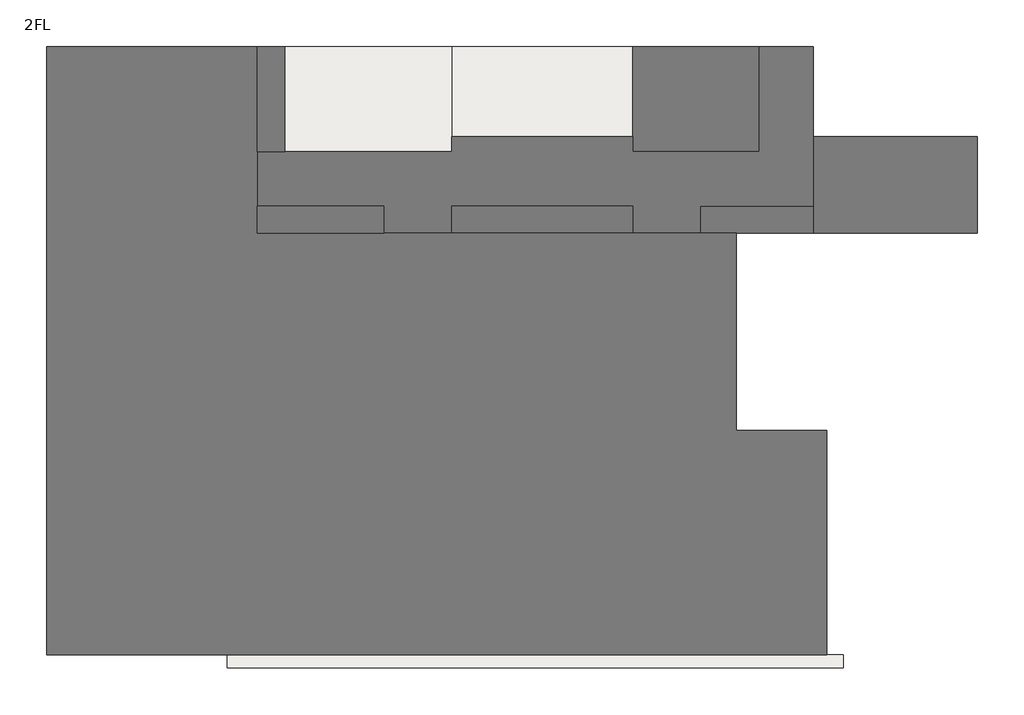
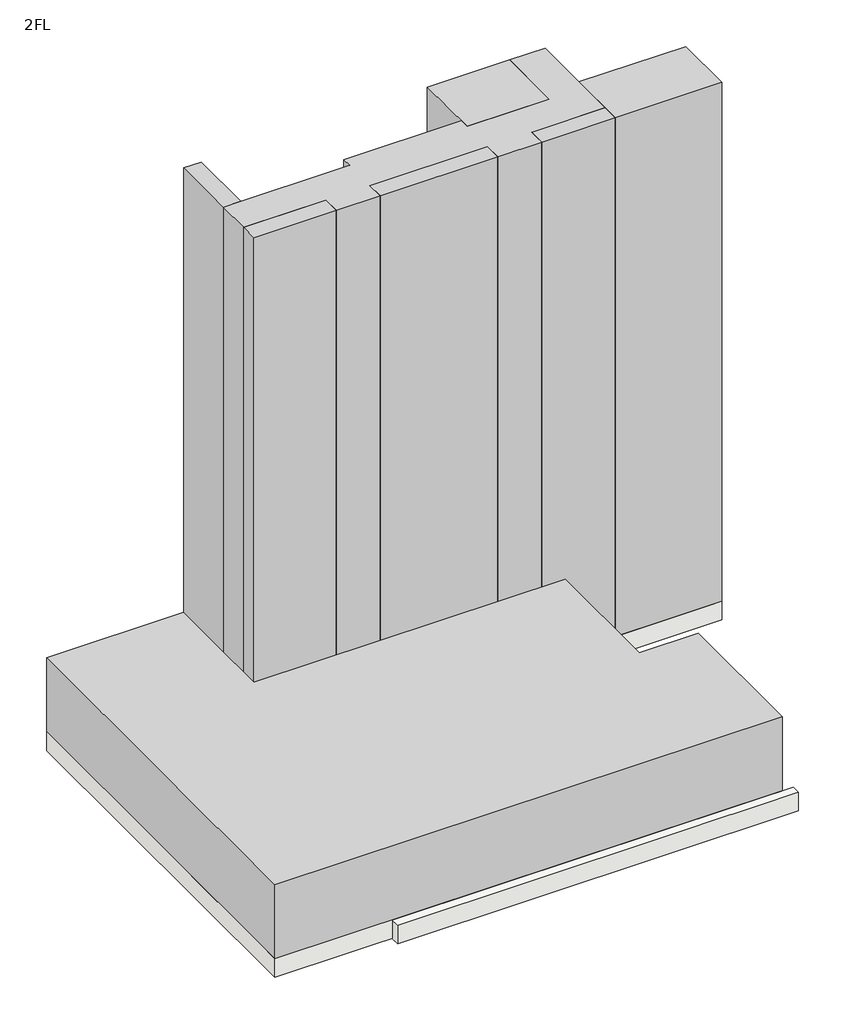
# One storey: 11 slabs, 8 proxies.
"""IFC4 building model written with IfcOpenShell, lengths in millimetres."""

from ifc_helpers import new_model, si_unit, frame, origin, place, context, project, spatial, polyline, outline, extrude, element, save

model = new_model("IFC4")

# Units and contexts
model_context = context("Model", 3, world=origin())
ifc_project = project(units=[si_unit("LENGTHUNIT", "METRE", prefix="MILLI")], contexts=[model_context])

# Site, building, storey
site = spatial("IfcSite", under=ifc_project)
building = spatial("IfcBuilding", under=site)
storey = spatial("IfcBuildingStorey", under=building, Name="2FL", Elevation=4600.0)

# Proxies
placement = place(None, origin())
element("IfcBuildingElementProxy", 1, Name="Mass", at=placement, inside=storey, context=model_context, shape_type="SweptSolid", body=[
    extrude(outline(polyline([(-5195.9784025, 16649.6868987), (-5195.9784025, 13149.6868987), (-9395.9784025, 13149.6868987), (-9395.9784025, 16649.6868987), (-5195.9784025, 16649.6868987)])), frame((0.0, 0.0, 4600.0), z_axis=(0.0, 0.0, 1.0), x_axis=(1.0, 0.0, 0.0)), (0.0, 0.0, 1.0), 28000.0),
])
element("IfcBuildingElementProxy", 2, Name="Mass", at=placement, inside=storey, context=model_context, shape_type="SweptSolid", body=[
    extrude(outline(polyline([(2054.0215975, 13649.6868987), (2054.0215975, 10449.6868987), (-3395.9784025, 10449.6868987), (-3395.9784025, 13649.6868987), (2054.0215975, 13649.6868987)])), frame((0.0, 0.0, 4600.0), z_axis=(0.0, 0.0, 1.0), x_axis=(1.0, 0.0, 0.0)), (0.0, 0.0, 1.0), 28000.0),
])
element("IfcBuildingElementProxy", 3, Name="Mass", at=placement, inside=storey, context=model_context, shape_type="SweptSolid", body=[
    extrude(outline(polyline([(-20945.9784025, 16649.6868987), (-20945.9784025, 13149.6868987), (-21845.9784025, 13149.6868987), (-21845.9784025, 16649.6868987), (-20945.9784025, 16649.6868987)])), frame((0.0, 0.0, 4600.0), z_axis=(0.0, 0.0, 1.0), x_axis=(1.0, 0.0, 0.0)), (0.0, 0.0, 1.0), 28000.0),
])
element("IfcBuildingElementProxy", 4, Name="Mass", at=placement, inside=storey, context=model_context, shape_type="SweptSolid", body=[
    extrude(outline(polyline([(-17645.9784025, 11349.6868987), (-17645.9784025, 10449.6868987), (-21845.9784025, 10449.6868987), (-21845.9784025, 11349.6868987), (-17645.9784025, 11349.6868987)])), frame((0.0, 0.0, 4600.0), z_axis=(0.0, 0.0, 1.0), x_axis=(1.0, 0.0, 0.0)), (0.0, 0.0, 1.0), 28000.0),
])
element("IfcBuildingElementProxy", 5, Name="Mass", at=placement, inside=storey, context=model_context, shape_type="SweptSolid", body=[
    extrude(outline(polyline([(-9395.9784025, 11349.6868987), (-9395.9784025, 10449.6868987), (-15395.9784025, 10449.6868987), (-15395.9784025, 11349.6868987), (-9395.9784025, 11349.6868987)])), frame((0.0, 0.0, 4600.0), z_axis=(0.0, 0.0, 1.0), x_axis=(1.0, 0.0, 0.0)), (0.0, 0.0, 1.0), 28000.0),
])
element("IfcBuildingElementProxy", 6, Name="Mass", at=placement, inside=storey, context=model_context, shape_type="SweptSolid", body=[
    extrude(outline(polyline([(-3395.9784025, 11349.6868987), (-3395.9784025, 10449.6868987), (-7145.9784025, 10449.6868987), (-7145.9784025, 11349.6868987), (-3395.9784025, 11349.6868987)])), frame((0.0, 0.0, 4600.0), z_axis=(0.0, 0.0, 1.0), x_axis=(1.0, 0.0, 0.0)), (0.0, 0.0, 1.0), 28000.0),
])
element("IfcBuildingElementProxy", 7, Name="Mass", at=placement, inside=storey, context=model_context, shape_type="SweptSolid", body=[
    extrude(outline(polyline([(-15395.9784025, 13149.6868987), (-15395.9784025, 13649.6868987), (-9395.9784025, 13649.6868987), (-9395.9784025, 13149.6868987), (-5195.9784025, 13149.6868987), (-5195.9784025, 16649.6868987), (-3395.9784025, 16649.6868987), (-3395.9784025, 11349.6868987), (-7145.9784025, 11349.6868987), (-7145.9784025, 10449.6868987), (-9395.9784025, 10449.6868987), (-9395.9784025, 11349.6868987), (-15395.9784025, 11349.6868987), (-15395.9784025, 10449.6868987), (-17645.9784025, 10449.6868987), (-17645.9784025, 11349.6868987), (-21845.9784025, 11349.6868987), (-21845.9784025, 13149.6868987), (-15395.9784025, 13149.6868987)])), frame((0.0, 0.0, 4600.0), z_axis=(0.0, 0.0, 1.0), x_axis=(1.0, 0.0, 0.0)), (0.0, 0.0, 1.0), 28000.0),
])
element("IfcBuildingElementProxy", 8, Name="Mass", at=placement, inside=storey, context=model_context, shape_type="SweptSolid", body=[
    extrude(outline(polyline([(-28845.9784025, -3550.3131013), (-28845.9784025, 16649.6868987), (-21845.9784025, 16649.6868987), (-21845.9784025, 10449.6868987), (-5945.9784025, 10449.6868987), (-5945.9784025, 3899.6868987), (-2945.9784025, 3899.6868987), (-2945.9784025, -3550.3131013), (-28845.9784025, -3550.3131013)])), frame((0.0, 0.0, 4600.0), z_axis=(0.0, 0.0, 1.0), x_axis=(1.0, 0.0, 0.0)), (0.0, 0.0, 1.0), 4000.0),
])

# Slabs
element("IfcSlab", 9, at=placement, inside=storey, context=model_context, shape_type="SweptSolid", body=[
    extrude(outline(polyline([(2054.0215975, 13649.6868987), (2054.0215975, 10449.6868987), (-3395.9784025, 10449.6868987), (-3395.9784025, 13649.6868987), (2054.0215975, 13649.6868987)])), frame((0.0, 0.0, 3600.0), z_axis=(0.0, 0.0, 1.0), x_axis=(1.0, 0.0, 0.0)), (0.0, 0.0, 1.0), 1000.0),
])
element("IfcSlab", 10, at=placement, inside=storey, context=model_context, shape_type="SweptSolid", body=[
    extrude(outline(polyline([(-3395.9784025, 11349.6868987), (-3395.9784025, 10449.6868987), (-7145.9784025, 10449.6868987), (-7145.9784025, 11349.6868987), (-3395.9784025, 11349.6868987)])), frame((0.0, 0.0, 3600.0), z_axis=(0.0, 0.0, 1.0), x_axis=(1.0, 0.0, 0.0)), (0.0, 0.0, 1.0), 1000.0),
])
element("IfcSlab", 11, at=placement, inside=storey, context=model_context, shape_type="SweptSolid", body=[
    extrude(outline(polyline([(-9395.9784025, 11349.6868987), (-9395.9784025, 10449.6868987), (-15395.9784025, 10449.6868987), (-15395.9784025, 11349.6868987), (-9395.9784025, 11349.6868987)])), frame((0.0, 0.0, 3600.0), z_axis=(0.0, 0.0, 1.0), x_axis=(1.0, 0.0, 0.0)), (0.0, 0.0, 1.0), 1000.0),
])
element("IfcSlab", 12, at=placement, inside=storey, context=model_context, shape_type="SweptSolid", body=[
    extrude(outline(polyline([(-17645.9784025, 11349.6868987), (-17645.9784025, 10449.6868987), (-21845.9784025, 10449.6868987), (-21845.9784025, 11349.6868987), (-17645.9784025, 11349.6868987)])), frame((0.0, 0.0, 3600.0), z_axis=(0.0, 0.0, 1.0), x_axis=(1.0, 0.0, 0.0)), (0.0, 0.0, 1.0), 1000.0),
])
element("IfcSlab", 13, at=placement, inside=storey, context=model_context, shape_type="SweptSolid", body=[
    extrude(outline(polyline([(-20945.9784025, 16649.6868987), (-20945.9784025, 13149.6868987), (-21845.9784025, 13149.6868987), (-21845.9784025, 16649.6868987), (-20945.9784025, 16649.6868987)])), frame((0.0, 0.0, 3600.0), z_axis=(0.0, 0.0, 1.0), x_axis=(1.0, 0.0, 0.0)), (0.0, 0.0, 1.0), 1000.0),
])
element("IfcSlab", 14, at=placement, inside=storey, context=model_context, shape_type="SweptSolid", body=[
    extrude(outline(polyline([(-28845.9784025, -3550.3131013), (-28845.9784025, 16649.6868987), (-21845.9784025, 16649.6868987), (-21845.9784025, 10449.6868987), (-5945.9784025, 10449.6868987), (-5945.9784025, 3899.6868987), (-2945.9784025, 3899.6868987), (-2945.9784025, -3550.3131013), (-28845.9784025, -3550.3131013)])), frame((0.0, 0.0, 3600.0), z_axis=(0.0, 0.0, 1.0), x_axis=(1.0, 0.0, 0.0)), (0.0, 0.0, 1.0), 1000.0),
])
element("IfcSlab", 15, at=placement, inside=storey, context=model_context, shape_type="SweptSolid", body=[
    extrude(outline(polyline([(-9395.9784025, 16649.6868987), (-9395.9784025, 13649.6868987), (-15395.9784025, 13649.6868987), (-15395.9784025, 16649.6868987), (-9395.9784025, 16649.6868987)])), frame((0.0, 0.0, 3600.0), z_axis=(0.0, 0.0, 1.0), x_axis=(1.0, 0.0, 0.0)), (0.0, 0.0, 1.0), 1000.0),
])
element("IfcSlab", 16, at=placement, inside=storey, context=model_context, shape_type="SweptSolid", body=[
    extrude(outline(polyline([(-5195.9784025, 16649.6868987), (-5195.9784025, 13149.6868987), (-9395.9784025, 13149.6868987), (-9395.9784025, 16649.6868987), (-5195.9784025, 16649.6868987)])), frame((0.0, 0.0, 3600.0), z_axis=(0.0, 0.0, 1.0), x_axis=(1.0, 0.0, 0.0)), (0.0, 0.0, 1.0), 1000.0),
])
element("IfcSlab", 17, at=placement, inside=storey, context=model_context, shape_type="SweptSolid", body=[
    extrude(outline(polyline([(-15395.9784025, 16649.6868987), (-15395.9784025, 13149.6868987), (-20945.9784025, 13149.6868987), (-20945.9784025, 16649.6868987), (-15395.9784025, 16649.6868987)])), frame((0.0, 0.0, 3600.0), z_axis=(0.0, 0.0, 1.0), x_axis=(1.0, 0.0, 0.0)), (0.0, 0.0, 1.0), 1000.0),
])
element("IfcSlab", 18, at=placement, inside=storey, context=model_context, shape_type="SweptSolid", body=[
    extrude(outline(polyline([(-15395.9784025, 13149.6868987), (-15395.9784025, 13649.6868987), (-9395.9784025, 13649.6868987), (-9395.9784025, 13149.6868987), (-5195.9784025, 13149.6868987), (-5195.9784025, 16649.6868987), (-3395.9784025, 16649.6868987), (-3395.9784025, 11349.6868987), (-7145.9784025, 11349.6868987), (-7145.9784025, 10449.6868987), (-9395.9784025, 10449.6868987), (-9395.9784025, 11349.6868987), (-15395.9784025, 11349.6868987), (-15395.9784025, 10449.6868987), (-17645.9784025, 10449.6868987), (-17645.9784025, 11349.6868987), (-21845.9784025, 11349.6868987), (-21845.9784025, 13149.6868987), (-15395.9784025, 13149.6868987)])), frame((0.0, 0.0, 3600.0), z_axis=(0.0, 0.0, 1.0), x_axis=(1.0, 0.0, 0.0)), (0.0, 0.0, 1.0), 1000.0),
])
element("IfcSlab", 19, at=placement, inside=storey, context=model_context, shape_type="SweptSolid", body=[
    extrude(outline(polyline([(-22845.9784025, -3550.3131013), (-2395.9784025, -3550.3131013), (-2395.9784025, -3994.809837), (-22845.9784025, -3994.809837), (-22845.9784025, -3550.3131013)])), frame((0.0, 0.0, 3600.0), z_axis=(0.0, 0.0, 1.0), x_axis=(1.0, 0.0, 0.0)), (0.0, 0.0, 1.0), 1000.0),
])

save(model, "model.ifc")
